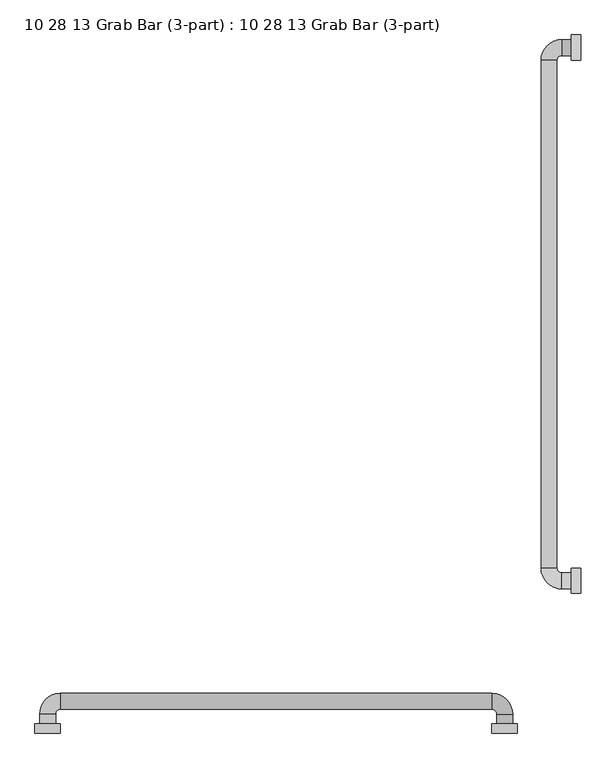
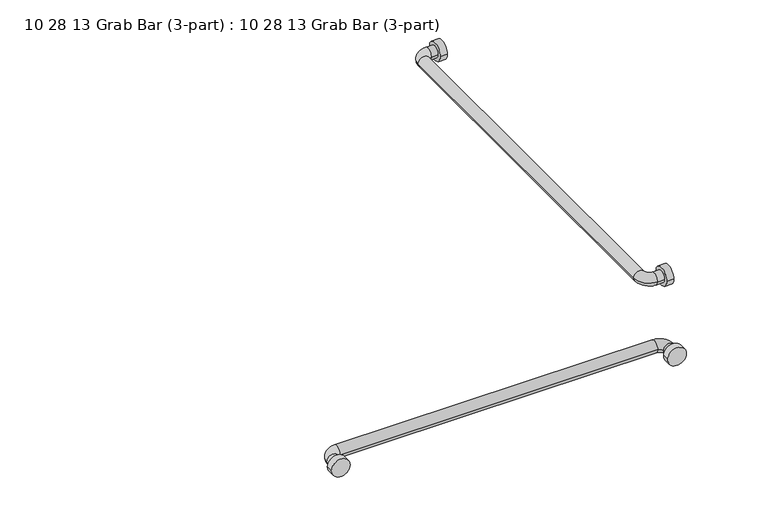
"""IFC4 building model written with IfcOpenShell, lengths in millimetres: proxy geometry, 10 28 13 Grab Bar (3-part) : 10 28 13 Grab Bar (3-part)."""

from ifc_helpers import new_model, si_unit, point, frame, frame_2d, origin, place, context, project, spatial, circle_curve, ellipse_curve, trimmed, segment, composite_curve, outline, extrude, source, transform, mapped, element, save
from ifc_brep_helpers import plane_surface, cylinder_surface, revolved_surface, advanced_brep


def proxy_10_28_13_grab_bar_3_part_10_28_13_grab_bar_3_part_00ac5f2f(model_context):
    return source(origin(), model_context, "Body", "SolidModel", [
        extrude(outline(composite_curve([segment(trimmed(circle_curve(frame_2d((304.8, 863.6)), 25.4), [point((279.4, 863.6))], [point((330.2, 863.6))], False, "CARTESIAN"), True, "CONTINUOUS"), segment(trimmed(circle_curve(frame_2d((304.8, 863.6)), 25.4), [point((330.2, 863.6))], [point((279.4, 863.6))], False, "CARTESIAN"), True, "CONTINUOUS")], self_intersect=False)), frame((-19.05, 0.0, 0.0), z_axis=(1.0, 0.0, 0.0), x_axis=(0.0, 1.0, 0.0)), (0.0, 0.0, 1.0), 19.05),
        extrude(outline(composite_curve([segment(trimmed(circle_curve(frame_2d((1371.6, 863.6)), 25.4), [point((1346.2, 863.6))], [point((1397.0, 863.6))], False, "CARTESIAN"), True, "CONTINUOUS"), segment(trimmed(circle_curve(frame_2d((1371.6, 863.6)), 25.4), [point((1397.0, 863.6))], [point((1346.2, 863.6))], False, "CARTESIAN"), True, "CONTINUOUS")], self_intersect=False)), frame((-19.05, 0.0, 0.0), z_axis=(1.0, 0.0, 0.0), x_axis=(0.0, 1.0, 0.0)), (0.0, 0.0, 1.0), 19.05),
        extrude(outline(composite_curve([segment(trimmed(circle_curve(frame_2d((863.6, -152.4)), 25.4), [point((863.6, -177.8))], [point((863.6, -127.0))], False, "CARTESIAN"), True, "CONTINUOUS"), segment(trimmed(circle_curve(frame_2d((863.6, -152.4)), 25.4), [point((863.6, -127.0))], [point((863.6, -177.8))], False, "CARTESIAN"), True, "CONTINUOUS")], self_intersect=False)), frame((0.0, 0.0, 0.0), z_axis=(0.0, 1.0, 0.0), x_axis=(0.0, 0.0, 1.0)), (0.0, 0.0, 1.0), 19.05),
        extrude(outline(composite_curve([segment(trimmed(circle_curve(frame_2d((863.6, -1066.8)), 25.4), [point((863.6, -1092.2))], [point((863.6, -1041.4))], False, "CARTESIAN"), True, "CONTINUOUS"), segment(trimmed(circle_curve(frame_2d((863.6, -1066.8)), 25.4), [point((863.6, -1041.4))], [point((863.6, -1092.2))], False, "CARTESIAN"), True, "CONTINUOUS")], self_intersect=False)), frame((0.0, 0.0, 0.0), z_axis=(0.0, 1.0, 0.0), x_axis=(0.0, 0.0, 1.0)), (0.0, 0.0, 1.0), 19.05),
        advanced_brep(
        [(-19.05, 320.675, 863.6), (-19.05, 288.925, 863.6), (-38.1, 320.675, 863.6), (-38.1, 288.925, 863.6), (-79.375, 330.2, 863.6), (-47.625, 330.2, 863.6), (-47.625, 1346.2, 863.6), (-79.375, 1346.2, 863.6), (-38.1, 1387.475, 863.6), (-38.1, 1355.725, 863.6), (-19.05, 1355.725, 863.6), (-19.05, 1387.475, 863.6)],
        [
            (0, 1, circle_curve(frame((-19.05, 304.8, 863.6), z_axis=(1.0, 0.0, 0.0), x_axis=(0.0, -1.0, 0.0)), 15.875)),
            (1, 0, circle_curve(frame((-19.05, 304.8, 863.6), z_axis=(1.0, 0.0, 0.0), x_axis=(0.0, -1.0, 0.0)), 15.875)),
            (0, 2),
            (2, 3, circle_curve(frame((-38.1, 304.8, 863.6), z_axis=(1.0, 0.0, 0.0), x_axis=(0.0, -1.0, 0.0)), 15.875)),
            (3, 1),
            (3, 2, circle_curve(frame((-38.1, 304.8, 863.6), z_axis=(1.0, 0.0, 0.0), x_axis=(0.0, -1.0, 0.0)), 15.875)),
            (4, 3, circle_curve(frame((-38.1, 330.2, 863.6), z_axis=(0.0, 0.0, 1.0), x_axis=(0.0, -1.0, 0.0)), 41.275)),
            (2, 5, circle_curve(frame((-38.1, 330.2, 863.6), z_axis=(0.0, 0.0, -1.0), x_axis=(0.0, -1.0, 0.0)), 9.525)),
            (5, 4, circle_curve(frame((-63.5, 330.2, 863.6), z_axis=(0.0, -1.0, 0.0), x_axis=(-1.0, 0.0, 0.0)), 15.875)),
            (4, 5, circle_curve(frame((-63.5, 330.2, 863.6), z_axis=(0.0, -1.0, 0.0), x_axis=(-1.0, 0.0, 0.0)), 15.875)),
            (5, 6),
            (6, 7, circle_curve(frame((-63.5, 1346.2, 863.6), z_axis=(0.0, -1.0, 0.0), x_axis=(-1.0, 0.0, 0.0)), 15.875)),
            (7, 4),
            (7, 6, circle_curve(frame((-63.5, 1346.2, 863.6), z_axis=(0.0, -1.0, 0.0), x_axis=(-1.0, 0.0, 0.0)), 15.875)),
            (8, 7, circle_curve(frame((-38.1, 1346.2, 863.6), z_axis=(0.0, 0.0, 1.0), x_axis=(-1.0, 0.0, 0.0)), 41.275)),
            (6, 9, circle_curve(frame((-38.1, 1346.2, 863.6), z_axis=(0.0, 0.0, -1.0), x_axis=(-1.0, 0.0, 0.0)), 9.525)),
            (9, 8, circle_curve(frame((-38.1, 1371.6, 863.6), z_axis=(-1.0, 0.0, 0.0), x_axis=(0.0, 1.0, 0.0)), 15.875)),
            (8, 9, circle_curve(frame((-38.1, 1371.6, 863.6), z_axis=(-1.0, 0.0, 0.0), x_axis=(0.0, 1.0, 0.0)), 15.875)),
            (10, 11, circle_curve(frame((-19.05, 1371.6, 863.6), z_axis=(1.0, 0.0, 0.0), x_axis=(0.0, 1.0, 0.0)), 15.875)),
            (11, 10, circle_curve(frame((-19.05, 1371.6, 863.6), z_axis=(1.0, 0.0, 0.0), x_axis=(0.0, 1.0, 0.0)), 15.875)),
            (9, 10),
            (11, 8),
        ],
        [
            plane_surface(frame((-19.05, 304.8, -879.475), z_axis=(1.0, 0.0, 0.0), x_axis=(0.0, -1.0, 0.0))),
            cylinder_surface(frame((-19.05, 304.8, 863.6), z_axis=(1.0, 0.0, 0.0), x_axis=(0.0, -1.0, 0.0)), 15.875),
            revolved_surface(trimmed(ellipse_curve(frame((-38.1, 304.8, 863.6), z_axis=(1.0, 0.0, 0.0), x_axis=(0.0, -1.0, 0.0)), 15.875, 15.875), [point((-38.1, 320.675, 863.6))], [point((-38.1, 288.925, 863.6))], True, "CARTESIAN"), (-38.1, 330.2, 0.0), (0.0, 0.0, -1.0)),
            revolved_surface(trimmed(ellipse_curve(frame((-38.1, 304.8, 863.6), z_axis=(1.0, 0.0, 0.0), x_axis=(0.0, -1.0, 0.0)), 15.875, 15.875), [point((-38.1, 288.925, 863.6))], [point((-38.1, 320.675, 863.6))], True, "CARTESIAN"), (-38.1, 330.2, 0.0), (0.0, 0.0, -1.0)),
            cylinder_surface(frame((-63.5, 330.2, 863.6), z_axis=(0.0, -1.0, 0.0), x_axis=(-1.0, 0.0, 0.0)), 15.875),
            revolved_surface(trimmed(ellipse_curve(frame((-63.5, 1346.2, 863.6), z_axis=(0.0, -1.0, 0.0), x_axis=(-1.0, 0.0, 0.0)), 15.875, 15.875), [point((-47.625, 1346.2, 863.6))], [point((-79.375, 1346.2, 863.6))], True, "CARTESIAN"), (-38.1, 1346.2, 0.0), (0.0, 0.0, -1.0)),
            revolved_surface(trimmed(ellipse_curve(frame((-63.5, 1346.2, 863.6), z_axis=(0.0, -1.0, 0.0), x_axis=(-1.0, 0.0, 0.0)), 15.875, 15.875), [point((-79.375, 1346.2, 863.6))], [point((-47.625, 1346.2, 863.6))], True, "CARTESIAN"), (-38.1, 1346.2, 0.0), (0.0, 0.0, -1.0)),
            plane_surface(frame((-19.05, 1371.6, -879.475), z_axis=(1.0, 0.0, 0.0), x_axis=(0.0, 1.0, 0.0))),
            cylinder_surface(frame((-38.1, 1371.6, 863.6), z_axis=(-1.0, 0.0, 0.0), x_axis=(0.0, 1.0, 0.0)), 15.875),
        ],
        [
            (0, [[1, 2]]),
            (1, [[-1, 3, 4, 5]]),
            (1, [[-2, -5, 6, -3]]),
            (2, [[7, -4, 8, 9]]),
            (3, [[-8, -6, -7, 10]]),
            (4, [[-9, 11, 12, 13]]),
            (4, [[-10, -13, 14, -11]]),
            (5, [[15, -12, 16, 17]]),
            (6, [[-16, -14, -15, 18]]),
            (7, [[19, 20]]),
            (8, [[-17, 21, -20, 22]]),
            (8, [[-18, -22, -19, -21]]),
        ],
    ),
        advanced_brep(
        [(-1050.925, 19.05, 863.6), (-1082.675, 19.05, 863.6), (-1050.925, 38.1, 863.6), (-1082.675, 38.1, 863.6), (-1041.4, 79.375, 863.6), (-1041.4, 47.625, 863.6), (-177.8, 47.625, 863.6), (-177.8, 79.375, 863.6), (-136.525, 38.1, 863.6), (-168.275, 38.1, 863.6), (-168.275, 19.05, 863.6), (-136.525, 19.05, 863.6)],
        [
            (0, 1, circle_curve(frame((-1066.8, 19.05, 863.6), z_axis=(0.0, -1.0, 0.0), x_axis=(-1.0, 0.0, 0.0)), 15.875)),
            (1, 0, circle_curve(frame((-1066.8, 19.05, 863.6), z_axis=(0.0, -1.0, 0.0), x_axis=(-1.0, 0.0, 0.0)), 15.875)),
            (0, 2),
            (2, 3, circle_curve(frame((-1066.8, 38.1, 863.6), z_axis=(0.0, -1.0, 0.0), x_axis=(-1.0, 0.0, 0.0)), 15.875)),
            (3, 1),
            (3, 2, circle_curve(frame((-1066.8, 38.1, 863.6), z_axis=(0.0, -1.0, 0.0), x_axis=(-1.0, 0.0, 0.0)), 15.875)),
            (4, 3, circle_curve(frame((-1041.4, 38.1, 863.6), z_axis=(0.0, 0.0, 1.0), x_axis=(-1.0, 0.0, 0.0)), 41.275)),
            (2, 5, circle_curve(frame((-1041.4, 38.1, 863.6), z_axis=(0.0, 0.0, -1.0), x_axis=(-1.0, 0.0, 0.0)), 9.525)),
            (5, 4, circle_curve(frame((-1041.4, 63.5, 863.6), z_axis=(-1.0, 0.0, 0.0), x_axis=(0.0, 1.0, 0.0)), 15.875)),
            (4, 5, circle_curve(frame((-1041.4, 63.5, 863.6), z_axis=(-1.0, 0.0, 0.0), x_axis=(0.0, 1.0, 0.0)), 15.875)),
            (5, 6),
            (6, 7, circle_curve(frame((-177.8, 63.5, 863.6), z_axis=(-1.0, 0.0, 0.0), x_axis=(0.0, 1.0, 0.0)), 15.875)),
            (7, 4),
            (7, 6, circle_curve(frame((-177.8, 63.5, 863.6), z_axis=(-1.0, 0.0, 0.0), x_axis=(0.0, 1.0, 0.0)), 15.875)),
            (8, 7, circle_curve(frame((-177.8, 38.1, 863.6), z_axis=(0.0, 0.0, 1.0), x_axis=(0.0, 1.0, 0.0)), 41.275)),
            (6, 9, circle_curve(frame((-177.8, 38.1, 863.6), z_axis=(0.0, 0.0, -1.0), x_axis=(0.0, 1.0, 0.0)), 9.525)),
            (9, 8, circle_curve(frame((-152.4, 38.1, 863.6), z_axis=(0.0, 1.0, 0.0), x_axis=(1.0, 0.0, 0.0)), 15.875)),
            (8, 9, circle_curve(frame((-152.4, 38.1, 863.6), z_axis=(0.0, 1.0, 0.0), x_axis=(1.0, 0.0, 0.0)), 15.875)),
            (10, 11, circle_curve(frame((-152.4, 19.05, 863.6), z_axis=(0.0, -1.0, 0.0), x_axis=(1.0, 0.0, 0.0)), 15.875)),
            (11, 10, circle_curve(frame((-152.4, 19.05, 863.6), z_axis=(0.0, -1.0, 0.0), x_axis=(1.0, 0.0, 0.0)), 15.875)),
            (9, 10),
            (11, 8),
        ],
        [
            plane_surface(frame((-1946.275, 19.05, 0.0), z_axis=(0.0, -1.0, 0.0), x_axis=(0.0, 0.0, 1.0))),
            cylinder_surface(frame((-1066.8, 19.05, 863.6), z_axis=(0.0, -1.0, 0.0), x_axis=(-1.0, 0.0, 0.0)), 15.875),
            revolved_surface(trimmed(ellipse_curve(frame((-1066.8, 38.1, 863.6), z_axis=(0.0, -1.0, 0.0), x_axis=(-1.0, 0.0, 0.0)), 15.875, 15.875), [point((-1050.925, 38.1, 863.6))], [point((-1082.675, 38.1, 863.6))], True, "CARTESIAN"), (-1041.4, 38.1, 0.0), (0.0, 0.0, -1.0)),
            revolved_surface(trimmed(ellipse_curve(frame((-1066.8, 38.1, 863.6), z_axis=(0.0, -1.0, 0.0), x_axis=(-1.0, 0.0, 0.0)), 15.875, 15.875), [point((-1082.675, 38.1, 863.6))], [point((-1050.925, 38.1, 863.6))], True, "CARTESIAN"), (-1041.4, 38.1, 0.0), (0.0, 0.0, -1.0)),
            cylinder_surface(frame((-1041.4, 63.5, 863.6), z_axis=(-1.0, 0.0, 0.0), x_axis=(0.0, 1.0, 0.0)), 15.875),
            revolved_surface(trimmed(ellipse_curve(frame((-177.8, 63.5, 863.6), z_axis=(-1.0, 0.0, 0.0), x_axis=(0.0, 1.0, 0.0)), 15.875, 15.875), [point((-177.8, 47.625, 863.6))], [point((-177.8, 79.375, 863.6))], True, "CARTESIAN"), (-177.8, 38.1, 0.0), (0.0, 0.0, -1.0)),
            revolved_surface(trimmed(ellipse_curve(frame((-177.8, 63.5, 863.6), z_axis=(-1.0, 0.0, 0.0), x_axis=(0.0, 1.0, 0.0)), 15.875, 15.875), [point((-177.8, 79.375, 863.6))], [point((-177.8, 47.625, 863.6))], True, "CARTESIAN"), (-177.8, 38.1, 0.0), (0.0, 0.0, -1.0)),
            plane_surface(frame((-1031.875, 19.05, 0.0), z_axis=(0.0, -1.0, 0.0), x_axis=(0.0, 0.0, -1.0))),
            cylinder_surface(frame((-152.4, 38.1, 863.6), z_axis=(0.0, 1.0, 0.0), x_axis=(1.0, 0.0, 0.0)), 15.875),
        ],
        [
            (0, [[1, 2]]),
            (1, [[-1, 3, 4, 5]]),
            (1, [[-2, -5, 6, -3]]),
            (2, [[7, -4, 8, 9]]),
            (3, [[-8, -6, -7, 10]]),
            (4, [[-9, 11, 12, 13]]),
            (4, [[-10, -13, 14, -11]]),
            (5, [[15, -12, 16, 17]]),
            (6, [[-16, -14, -15, 18]]),
            (7, [[19, 20]]),
            (8, [[-17, 21, -20, 22]]),
            (8, [[-18, -22, -19, -21]]),
        ],
    ),
    ])


if __name__ == "__main__":
    model = new_model("IFC4")
    model_context = context("Model", 3, world=origin())
    ifc_project = project(units=[si_unit("LENGTHUNIT", "METRE", prefix="MILLI")], contexts=[model_context])
    site = spatial("IfcSite", under=ifc_project)
    building = spatial("IfcBuilding", under=site)
    placement = place(None, origin())
    proxy_10_28_13_grab_bar_3_part_10_28_13_grab_bar_3_part_shape = proxy_10_28_13_grab_bar_3_part_10_28_13_grab_bar_3_part_00ac5f2f(model_context)
    element("IfcBuildingElementProxy", 1, Name="10 28 13 Grab Bar (3-part) : 10 28 13 Grab Bar (3-part)", ObjectType="10 28 13 Grab Bar (3-part) : 10 28 13 Grab Bar (3-part)", at=placement, inside=building, context=model_context, shape_type="MappedRepresentation", body=[
        mapped(proxy_10_28_13_grab_bar_3_part_10_28_13_grab_bar_3_part_shape, transform((0.0, 0.0, 0.0), x_axis=(1.0, 0.0, 0.0), y_axis=(0.0, 1.0, 0.0), z_axis=(0.0, 0.0, 1.0))),
    ])
    save(model, "model.ifc")
